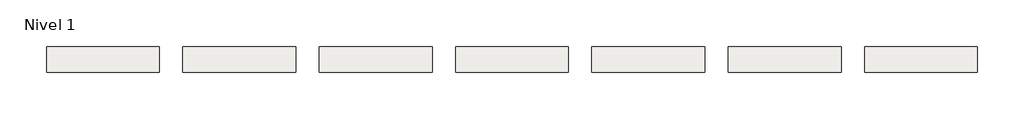
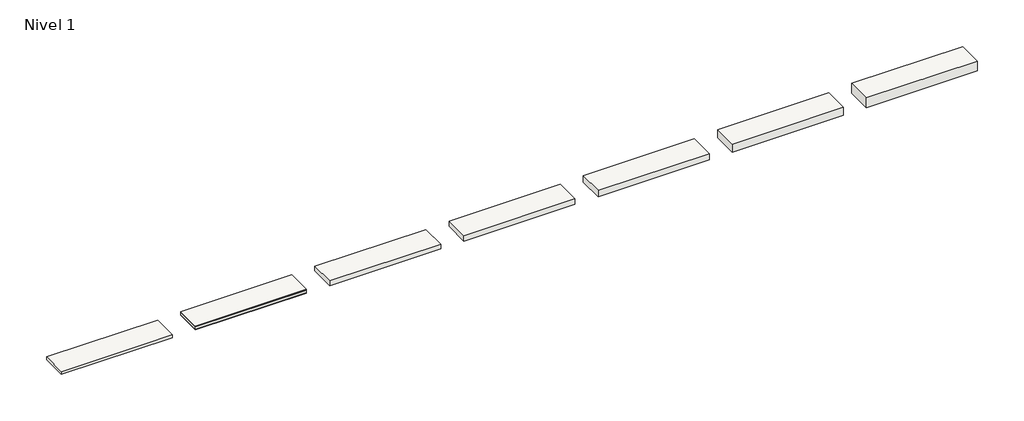
# One storey: 7 roofs.
"""IFC4 building model written with IfcOpenShell, lengths in millimetres."""

from ifc_helpers import new_model, si_unit, frame, origin, origin_with_axes, place, context, project, spatial, polyline, outline, extrude, element, save

model = new_model("IFC4")

# Units and contexts
model_context = context("Model", 3, world=origin())
ifc_project = project(units=[si_unit("LENGTHUNIT", "METRE", prefix="MILLI")], contexts=[model_context])

# Site, building, storey
site = spatial("IfcSite", under=ifc_project)
building = spatial("IfcBuilding", under=site)
storey = spatial("IfcBuildingStorey", under=building, Name="Nivel 1", Elevation=0.0)

# Roofs
placement = place(None, origin())
element("IfcRoof", 1, at=placement, inside=storey, context=model_context, shape_type="SweptSolid", body=[
    extrude(outline(polyline([(-924.6699095, -5944.5376473), (1475.3300905, -5944.5376473), (1475.3300905, -6494.5376473), (-924.6699095, -6494.5376473), (-924.6699095, -5944.5376473)])), frame((0.0, 0.0, 72.5), z_axis=(0.0, 0.0, 1.0), x_axis=(1.0, 0.0, 0.0)), (0.0, 0.0, 1.0), 12.5),
    extrude(outline(polyline([(-924.6699095, -5944.5376473), (1475.3300905, -5944.5376473), (1475.3300905, -6494.5376473), (-924.6699095, -6494.5376473), (-924.6699095, -5944.5376473)])), frame((0.0, 0.0, 12.5), z_axis=(0.0, 0.0, 1.0), x_axis=(1.0, 0.0, 0.0)), (0.0, 0.0, 1.0), 60.0),
    extrude(outline(polyline([(-924.6699095, -5944.5376473), (1475.3300905, -5944.5376473), (1475.3300905, -6494.5376473), (-924.6699095, -6494.5376473), (-924.6699095, -5944.5376473)])), origin_with_axes(), (0.0, 0.0, 1.0), 12.5),
])
element("IfcRoof", 2, at=placement, inside=storey, context=model_context, shape_type="SweptSolid", body=[
    extrude(outline(polyline([(1975.3300905, -5944.5376473), (4375.3300905, -5944.5376473), (4375.3300905, -6494.5376473), (1975.3300905, -6494.5376473), (1975.3300905, -5944.5376473)])), origin_with_axes(), (0.0, 0.0, 1.0), 105.0),
])
element("IfcRoof", 3, at=placement, inside=storey, context=model_context, shape_type="SweptSolid", body=[
    extrude(outline(polyline([(4875.3300905, -5944.5376473), (7275.3300905, -5944.5376473), (7275.3300905, -6494.5376473), (4875.3300905, -6494.5376473), (4875.3300905, -5944.5376473)])), origin_with_axes(), (0.0, 0.0, 1.0), 125.0),
])
element("IfcRoof", 4, at=placement, inside=storey, context=model_context, shape_type="SweptSolid", body=[
    extrude(outline(polyline([(7775.3300905, -5944.5376473), (10175.3300905, -5944.5376473), (10175.3300905, -6494.5376473), (7775.3300905, -6494.5376473), (7775.3300905, -5944.5376473)])), origin_with_axes(), (0.0, 0.0, 1.0), 145.0),
])
element("IfcRoof", 5, at=placement, inside=storey, context=model_context, shape_type="SweptSolid", body=[
    extrude(outline(polyline([(10675.3300905, -5944.5376473), (13075.3300905, -5944.5376473), (13075.3300905, -6494.5376473), (10675.3300905, -6494.5376473), (10675.3300905, -5944.5376473)])), origin_with_axes(), (0.0, 0.0, 1.0), 185.0),
])
element("IfcRoof", 6, at=placement, inside=storey, context=model_context, shape_type="SweptSolid", body=[
    extrude(outline(polyline([(13575.3300905, -5944.5376473), (15975.3300905, -5944.5376473), (15975.3300905, -6494.5376473), (13575.3300905, -6494.5376473), (13575.3300905, -5944.5376473)])), origin_with_axes(), (0.0, 0.0, 1.0), 225.0),
])
element("IfcRoof", 7, at=placement, inside=storey, context=model_context, shape_type="SweptSolid", body=[
    extrude(outline(polyline([(-3824.6699095, -5944.5376473), (-1424.6699095, -5944.5376473), (-1424.6699095, -6494.5376473), (-3824.6699095, -6494.5376473), (-3824.6699095, -5944.5376473)])), origin_with_axes(), (0.0, 0.0, 1.0), 65.0),
])

save(model, "model.ifc")
